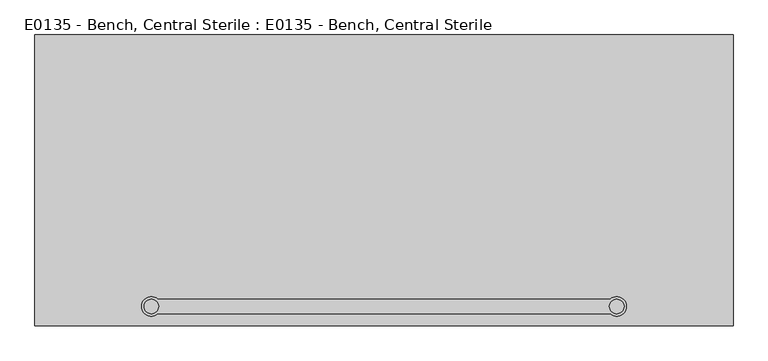
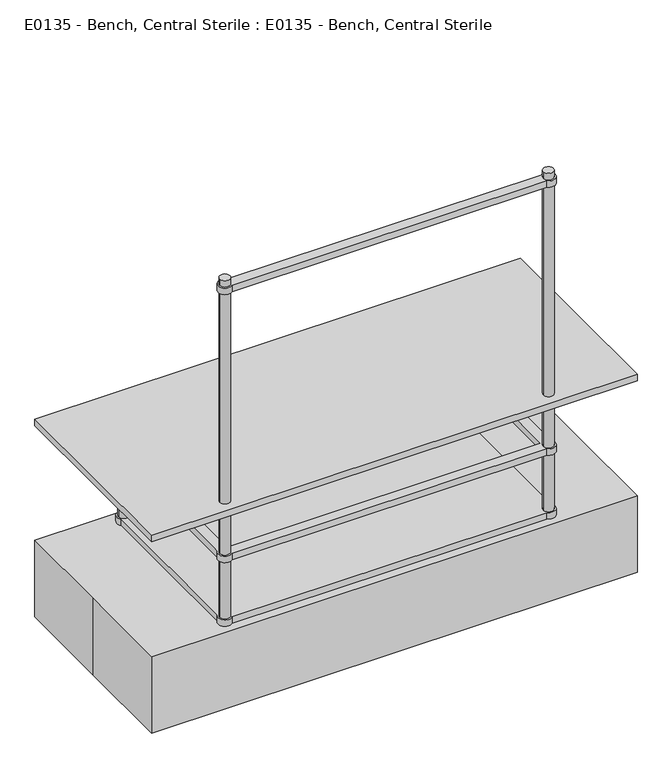
"""IFC4 building model written with IfcOpenShell, lengths in millimetres: proxy geometry, E0135 - Bench, Central Sterile : E0135 - Bench, Central Sterile."""

from ifc_helpers import new_model, si_unit, point, frame, frame_2d, origin, origin_with_axes, place, context, project, spatial, polyline, circle_curve, trimmed, segment, composite_curve, outline, extrude, source, transform, mapped, element, save


def e0135_bench_central_sterile_e0135_bench_central_sterile_5d38793f(model_context):
    return source(origin(), model_context, "Body", "SweptSolid", [
        extrude(outline(composite_curve([segment(trimmed(circle_curve(frame_2d((-609.6, -330.2)), 25.4), [point((-592.7994792, -349.25))], [point((-592.7994792, -311.15))], False, "CARTESIAN"), True, "CONTINUOUS"), segment(polyline([(-592.7994792, -311.15), (592.7994792, -311.15)]), True, "CONTINUOUS"), segment(trimmed(circle_curve(frame_2d((609.6, -330.2)), 25.4), [point((592.7994792, -311.15))], [point((592.7994792, -349.25))], False, "CARTESIAN"), True, "CONTINUOUS"), segment(polyline([(592.7994792, -349.25), (-592.7994792, -349.25)]), True, "CONTINUOUS")], self_intersect=False), holes=[composite_curve([segment(trimmed(circle_curve(frame_2d((-609.6, -330.2)), 19.05), [point((-628.65, -330.2))], [point((-590.55, -330.2))], True, "CARTESIAN"), True, "CONTINUOUS"), segment(trimmed(circle_curve(frame_2d((-609.6, -330.2)), 19.05), [point((-590.55, -330.2))], [point((-628.65, -330.2))], True, "CARTESIAN"), True, "CONTINUOUS")], self_intersect=False), composite_curve([segment(trimmed(circle_curve(frame_2d((609.6, -330.2)), 19.05), [point((590.55, -330.2))], [point((628.65, -330.2))], True, "CARTESIAN"), True, "CONTINUOUS"), segment(trimmed(circle_curve(frame_2d((609.6, -330.2)), 19.05), [point((628.65, -330.2))], [point((590.55, -330.2))], True, "CARTESIAN"), True, "CONTINUOUS")], self_intersect=False)]), frame((0.0, 0.0, 1625.6), z_axis=(0.0, 0.0, 1.0), x_axis=(1.0, 0.0, 0.0)), (0.0, 0.0, 1.0), 25.4),
        extrude(outline(composite_curve([segment(polyline([(-592.7994792, 349.25), (592.7994792, 349.25)]), True, "CONTINUOUS"), segment(trimmed(circle_curve(frame_2d((609.6, 330.2)), 25.4), [point((592.7994792, 349.25))], [point((628.65, 313.3994792))], False, "CARTESIAN"), True, "CONTINUOUS"), segment(polyline([(628.65, 313.3994792), (628.65, -313.3994792)]), True, "CONTINUOUS"), segment(trimmed(circle_curve(frame_2d((609.6, -330.2)), 25.4), [point((628.65, -313.3994792))], [point((592.7994792, -349.25))], False, "CARTESIAN"), True, "CONTINUOUS"), segment(polyline([(592.7994792, -349.25), (-592.7994792, -349.25)]), True, "CONTINUOUS"), segment(trimmed(circle_curve(frame_2d((-609.6, -330.2)), 25.4), [point((-592.7994792, -349.25))], [point((-628.65, -313.3994792))], False, "CARTESIAN"), True, "CONTINUOUS"), segment(polyline([(-628.65, -313.3994792), (-628.65, 313.3994792)]), True, "CONTINUOUS"), segment(trimmed(circle_curve(frame_2d((-609.6, 330.2)), 25.4), [point((-628.65, 313.3994792))], [point((-592.7994792, 349.25))], False, "CARTESIAN"), True, "CONTINUOUS")], self_intersect=False), holes=[composite_curve([segment(trimmed(circle_curve(frame_2d((-609.6, 330.2)), 19.05), [point((-628.65, 330.2))], [point((-590.55, 330.2))], True, "CARTESIAN"), True, "CONTINUOUS"), segment(trimmed(circle_curve(frame_2d((-609.6, 330.2)), 19.05), [point((-590.55, 330.2))], [point((-628.65, 330.2))], True, "CARTESIAN"), True, "CONTINUOUS")], self_intersect=False), composite_curve([segment(trimmed(circle_curve(frame_2d((-609.6, -330.2)), 19.05), [point((-628.65, -330.2))], [point((-590.55, -330.2))], True, "CARTESIAN"), True, "CONTINUOUS"), segment(trimmed(circle_curve(frame_2d((-609.6, -330.2)), 19.05), [point((-590.55, -330.2))], [point((-628.65, -330.2))], True, "CARTESIAN"), True, "CONTINUOUS")], self_intersect=False), composite_curve([segment(trimmed(circle_curve(frame_2d((609.6, 330.2)), 19.05), [point((590.55, 330.2))], [point((628.65, 330.2))], True, "CARTESIAN"), True, "CONTINUOUS"), segment(trimmed(circle_curve(frame_2d((609.6, 330.2)), 19.05), [point((628.65, 330.2))], [point((590.55, 330.2))], True, "CARTESIAN"), True, "CONTINUOUS")], self_intersect=False), composite_curve([segment(trimmed(circle_curve(frame_2d((609.6, -330.2)), 19.05), [point((590.55, -330.2))], [point((628.65, -330.2))], True, "CARTESIAN"), True, "CONTINUOUS"), segment(trimmed(circle_curve(frame_2d((609.6, -330.2)), 19.05), [point((628.65, -330.2))], [point((590.55, -330.2))], True, "CARTESIAN"), True, "CONTINUOUS")], self_intersect=False)]), frame((0.0, 0.0, 304.8), z_axis=(0.0, 0.0, 1.0), x_axis=(1.0, 0.0, 0.0)), (0.0, 0.0, 1.0), 25.4),
        extrude(outline(composite_curve([segment(polyline([(-590.55, 313.3994792), (-590.55, -311.15), (590.55, -311.15), (590.55, 313.3994792)]), True, "CONTINUOUS"), segment(trimmed(circle_curve(frame_2d((609.6, 330.2)), 25.4), [point((590.55, 313.3994792))], [point((628.65, 313.3994792))], False, "CARTESIAN"), True, "CONTINUOUS"), segment(polyline([(628.65, 313.3994792), (628.65, -313.3994792)]), True, "CONTINUOUS"), segment(trimmed(circle_curve(frame_2d((609.6, -330.2)), 25.4), [point((628.65, -313.3994792))], [point((592.7994792, -349.25))], False, "CARTESIAN"), True, "CONTINUOUS"), segment(polyline([(592.7994792, -349.25), (-592.7994792, -349.25)]), True, "CONTINUOUS"), segment(trimmed(circle_curve(frame_2d((-609.6, -330.2)), 25.4), [point((-592.7994792, -349.25))], [point((-628.65, -313.3994792))], False, "CARTESIAN"), True, "CONTINUOUS"), segment(polyline([(-628.65, -313.3994792), (-628.65, 313.3994792)]), True, "CONTINUOUS"), segment(trimmed(circle_curve(frame_2d((-609.6, 330.2)), 25.4), [point((-628.65, 313.3994792))], [point((-590.55, 313.3994792))], False, "CARTESIAN"), True, "CONTINUOUS")], self_intersect=False), holes=[composite_curve([segment(trimmed(circle_curve(frame_2d((-609.6, 330.2)), 19.05), [point((-628.65, 330.2))], [point((-590.55, 330.2))], True, "CARTESIAN"), True, "CONTINUOUS"), segment(trimmed(circle_curve(frame_2d((-609.6, 330.2)), 19.05), [point((-590.55, 330.2))], [point((-628.65, 330.2))], True, "CARTESIAN"), True, "CONTINUOUS")], self_intersect=False), composite_curve([segment(trimmed(circle_curve(frame_2d((-609.6, -330.2)), 19.05), [point((-628.65, -330.2))], [point((-590.55, -330.2))], True, "CARTESIAN"), True, "CONTINUOUS"), segment(trimmed(circle_curve(frame_2d((-609.6, -330.2)), 19.05), [point((-590.55, -330.2))], [point((-628.65, -330.2))], True, "CARTESIAN"), True, "CONTINUOUS")], self_intersect=False), composite_curve([segment(trimmed(circle_curve(frame_2d((609.6, 330.2)), 19.05), [point((590.55, 330.2))], [point((628.65, 330.2))], True, "CARTESIAN"), True, "CONTINUOUS"), segment(trimmed(circle_curve(frame_2d((609.6, 330.2)), 19.05), [point((628.65, 330.2))], [point((590.55, 330.2))], True, "CARTESIAN"), True, "CONTINUOUS")], self_intersect=False), composite_curve([segment(trimmed(circle_curve(frame_2d((609.6, -330.2)), 19.05), [point((590.55, -330.2))], [point((628.65, -330.2))], True, "CARTESIAN"), True, "CONTINUOUS"), segment(trimmed(circle_curve(frame_2d((609.6, -330.2)), 19.05), [point((628.65, -330.2))], [point((590.55, -330.2))], True, "CARTESIAN"), True, "CONTINUOUS")], self_intersect=False)]), frame((0.0, 0.0, 558.8), z_axis=(0.0, 0.0, 1.0), x_axis=(1.0, 0.0, 0.0)), (0.0, 0.0, 1.0), 25.4),
        extrude(outline(composite_curve([segment(trimmed(circle_curve(frame_2d((-609.6, 330.2)), 19.05), [point((-628.65, 330.2))], [point((-590.55, 330.2))], False, "CARTESIAN"), True, "CONTINUOUS"), segment(trimmed(circle_curve(frame_2d((-609.6, 330.2)), 19.05), [point((-590.55, 330.2))], [point((-628.65, 330.2))], False, "CARTESIAN"), True, "CONTINUOUS")], self_intersect=False)), origin_with_axes(), (0.0, 0.0, 1.0), 762.0),
        extrude(outline(composite_curve([segment(trimmed(circle_curve(frame_2d((609.6, 330.2)), 19.05), [point((590.55, 330.2))], [point((628.65, 330.2))], False, "CARTESIAN"), True, "CONTINUOUS"), segment(trimmed(circle_curve(frame_2d((609.6, 330.2)), 19.05), [point((628.65, 330.2))], [point((590.55, 330.2))], False, "CARTESIAN"), True, "CONTINUOUS")], self_intersect=False)), origin_with_axes(), (0.0, 0.0, 1.0), 762.0),
        extrude(outline(composite_curve([segment(trimmed(circle_curve(frame_2d((-609.6, -330.2)), 19.05), [point((-628.65, -330.2))], [point((-590.55, -330.2))], False, "CARTESIAN"), True, "CONTINUOUS"), segment(trimmed(circle_curve(frame_2d((-609.6, -330.2)), 19.05), [point((-590.55, -330.2))], [point((-628.65, -330.2))], False, "CARTESIAN"), True, "CONTINUOUS")], self_intersect=False)), origin_with_axes(), (0.0, 0.0, 1.0), 1676.4),
        extrude(outline(composite_curve([segment(trimmed(circle_curve(frame_2d((609.6, -330.2)), 19.05), [point((590.55, -330.2))], [point((628.65, -330.2))], False, "CARTESIAN"), True, "CONTINUOUS"), segment(trimmed(circle_curve(frame_2d((609.6, -330.2)), 19.05), [point((628.65, -330.2))], [point((590.55, -330.2))], False, "CARTESIAN"), True, "CONTINUOUS")], self_intersect=False)), origin_with_axes(), (0.0, 0.0, 1.0), 1676.4),
        extrude(outline(polyline([(914.4, -381.0), (-914.4, -381.0), (-914.4, 381.0), (914.4, 381.0), (914.4, -381.0)])), frame((0.0, 0.0, 762.0), z_axis=(0.0, 0.0, 1.0), x_axis=(1.0, 0.0, 0.0)), (0.0, 0.0, 1.0), 25.4),
        extrude(outline(polyline([(-914.4, -381.0), (-914.4, 0.0), (-914.4, 381.0), (914.4, 381.0), (914.4, -381.0), (-914.4, -381.0)])), origin_with_axes(), (0.0, 0.0, 1.0), 304.8),
    ])


if __name__ == "__main__":
    model = new_model("IFC4")
    model_context = context("Model", 3, world=origin())
    ifc_project = project(units=[si_unit("LENGTHUNIT", "METRE", prefix="MILLI")], contexts=[model_context])
    site = spatial("IfcSite", under=ifc_project)
    building = spatial("IfcBuilding", under=site)
    placement = place(None, origin())
    e0135_bench_central_sterile_e0135_bench_central_sterile_shape = e0135_bench_central_sterile_e0135_bench_central_sterile_5d38793f(model_context)
    element("IfcBuildingElementProxy", 1, Name="E0135 - Bench, Central Sterile : E0135 - Bench, Central Sterile", ObjectType="E0135 - Bench, Central Sterile : E0135 - Bench, Central Sterile", at=placement, inside=building, context=model_context, shape_type="MappedRepresentation", body=[
        mapped(e0135_bench_central_sterile_e0135_bench_central_sterile_shape, transform((0.0, 0.0, 0.0), x_axis=(1.0, 0.0, 0.0), y_axis=(0.0, 1.0, 0.0), z_axis=(0.0, 0.0, 1.0))),
    ])
    save(model, "model.ifc")
